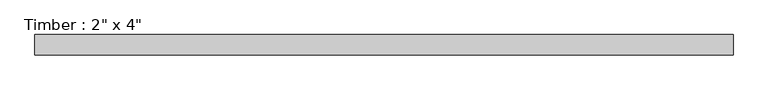
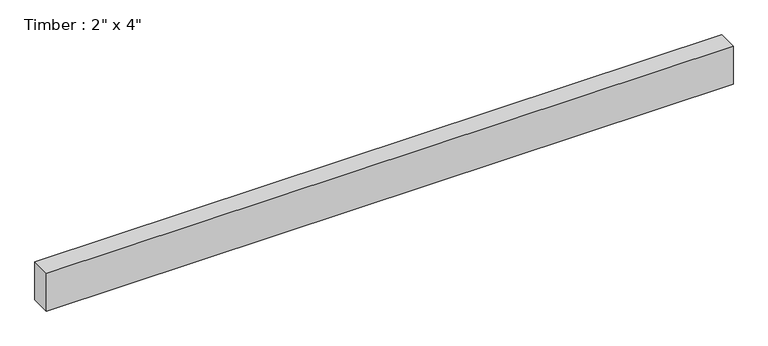
"""IFC4 building model written with IfcOpenShell, lengths in millimetres: beam geometry."""

from ifc_helpers import new_model, si_unit, frame, origin, place, context, project, spatial, polyline, outline, extrude, source, transform, mapped, element, save


def beam_be092336(model_context):
    return source(origin(), model_context, "Body", "SweptSolid", [
        extrude(outline(polyline([(869.037765, 25.4), (869.037765, -25.4), (-875.4407827, -25.4), (-875.4407827, 25.4), (869.037765, 25.4)])), frame((0.0, 0.0, -50.8), z_axis=(0.0, 0.0, 1.0), x_axis=(1.0, 0.0, 0.0)), (0.0, 0.0, 1.0), 101.6),
    ])


if __name__ == "__main__":
    model = new_model("IFC4")
    model_context = context("Model", 3, world=origin())
    ifc_project = project(units=[si_unit("LENGTHUNIT", "METRE", prefix="MILLI")], contexts=[model_context])
    site = spatial("IfcSite", under=ifc_project)
    building = spatial("IfcBuilding", under=site)
    placement = place(None, origin())
    beam_shape = beam_be092336(model_context)
    element("IfcBeam", 1, ObjectType="Timber : 2\" x 4\"", at=placement, inside=building, context=model_context, shape_type="MappedRepresentation", body=[
        mapped(beam_shape, transform((0.0, 0.0, 0.0), x_axis=(1.0, 0.0, 0.0), y_axis=(0.0, 1.0, 0.0), z_axis=(0.0, 0.0, 1.0))),
    ])
    save(model, "model.ifc")
